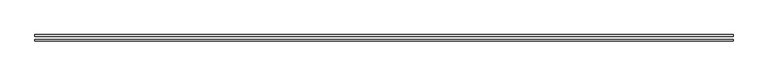
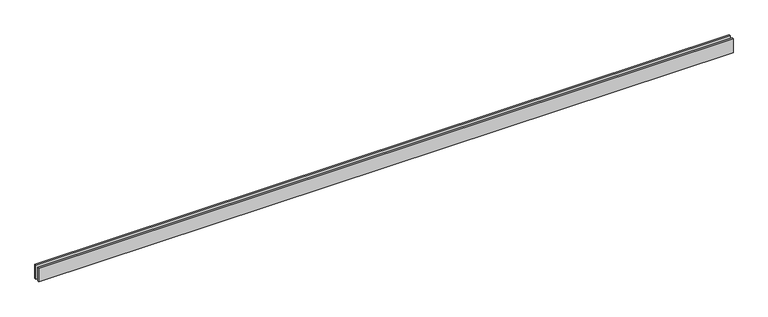
"""IFC4 building model written with IfcOpenShell, lengths in millimetres: proxy geometry."""

from ifc_helpers import new_model, si_unit, origin, origin_with_axes, place, context, project, spatial, polyline, outline, extrude, source, transform, mapped, element, save


def generic_models_4af6254c(model_context):
    return source(origin(), model_context, "Body", "SweptSolid", [
        extrude(outline(polyline([(11813.2034356, 25.0), (0.0, 25.0), (0.0, 55.0), (11813.2034356, 55.0), (11813.2034356, 25.0)])), origin_with_axes(), (0.0, 0.0, 1.0), 250.0),
        extrude(outline(polyline([(11813.2034356, -55.0), (0.0, -55.0), (0.0, -25.0), (11813.2034356, -25.0), (11813.2034356, -55.0)])), origin_with_axes(), (0.0, 0.0, 1.0), 250.0),
    ])


if __name__ == "__main__":
    model = new_model("IFC4")
    model_context = context("Model", 3, world=origin())
    ifc_project = project(units=[si_unit("LENGTHUNIT", "METRE", prefix="MILLI")], contexts=[model_context])
    site = spatial("IfcSite", under=ifc_project)
    building = spatial("IfcBuilding", under=site)
    placement = place(None, origin())
    generic_models_shape = generic_models_4af6254c(model_context)
    element("IfcBuildingElementProxy", 1, Name="Generic Models", at=placement, inside=building, context=model_context, shape_type="MappedRepresentation", body=[
        mapped(generic_models_shape, transform((0.0, 0.0, 0.0), x_axis=(1.0, 0.0, 0.0), y_axis=(0.0, 1.0, 0.0), z_axis=(0.0, 0.0, 1.0))),
    ])
    save(model, "model.ifc")
